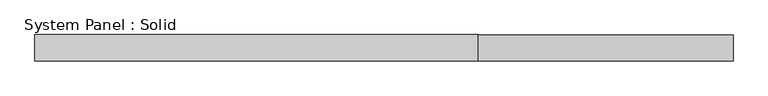
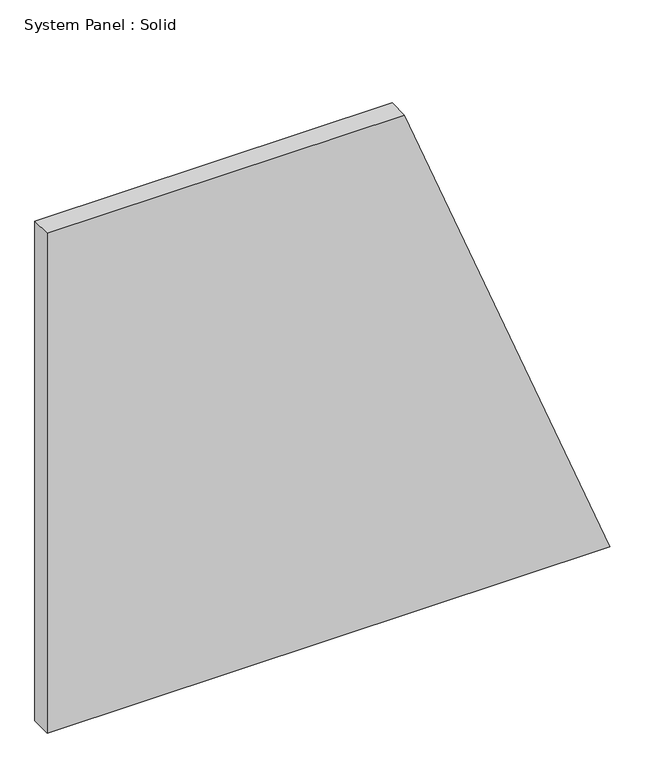
"""IFC4 building model written with IfcOpenShell, lengths in millimetres: plate geometry, System Panel : Solid."""

from ifc_helpers import new_model, si_unit, frame, origin, place, context, project, spatial, polyline, outline, extrude, source, transform, mapped, element, save


def system_panel_solid_5887f00d(model_context):
    return source(origin(), model_context, "Body", "SweptSolid", [
        extrude(outline(polyline([(0.0, -799.1052977), (0.0, 799.1052977), (1500.0, 215.5660711), (1500.0, -799.1052977), (0.0, -799.1052977)])), frame((0.0, -10.5, 0.0), z_axis=(0.0, 1.0, 0.0), x_axis=(0.0, 0.0, 1.0)), (0.0, 0.0, 1.0), 60.0),
    ])


if __name__ == "__main__":
    model = new_model("IFC4")
    model_context = context("Model", 3, world=origin())
    ifc_project = project(units=[si_unit("LENGTHUNIT", "METRE", prefix="MILLI")], contexts=[model_context])
    site = spatial("IfcSite", under=ifc_project)
    building = spatial("IfcBuilding", under=site)
    placement = place(None, origin())
    system_panel_solid_shape = system_panel_solid_5887f00d(model_context)
    element("IfcPlate", 1, ObjectType="System Panel : Solid", at=placement, inside=building, context=model_context, shape_type="MappedRepresentation", body=[
        mapped(system_panel_solid_shape, transform((0.0, 0.0, 0.0), x_axis=(1.0, 0.0, 0.0), y_axis=(0.0, 1.0, 0.0), z_axis=(0.0, 0.0, 1.0))),
    ])
    save(model, "model.ifc")
